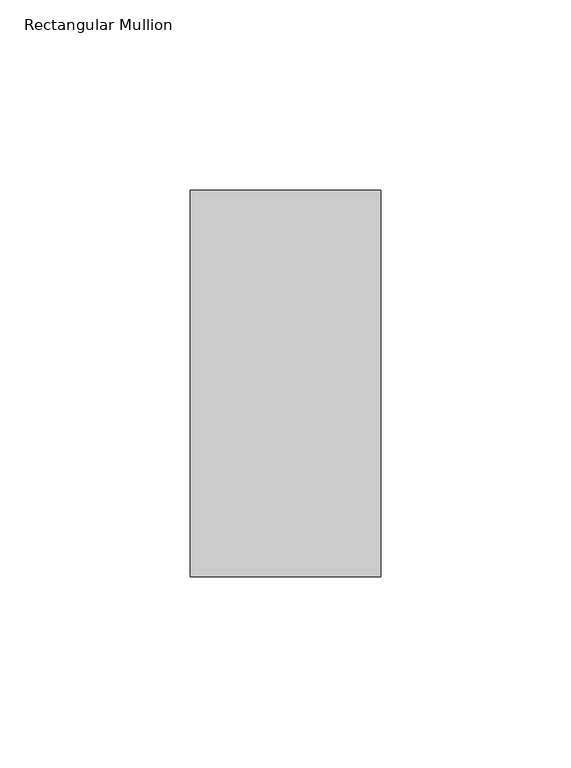
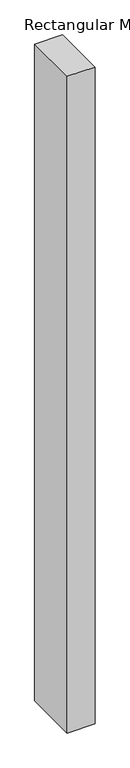
"""IFC4 building model written with IfcOpenShell, lengths in millimetres: member geometry, Rectangular Mullion."""

from ifc_helpers import new_model, si_unit, frame, origin, place, context, project, spatial, polyline, outline, extrude, source, transform, mapped, element, save


def rectangular_mullion_b16ed161(model_context):
    return source(origin(), model_context, "Body", "SweptSolid", [
        extrude(outline(polyline([(25.0, 50.8), (25.0, -50.8), (-25.0, -50.8), (-25.0, 50.8), (25.0, 50.8)])), frame((0.0, 0.0, -1250.0), z_axis=(0.0, 0.0, 1.0), x_axis=(1.0, 0.0, 0.0)), (0.0, 0.0, 1.0), 1250.0),
    ])


if __name__ == "__main__":
    model = new_model("IFC4")
    model_context = context("Model", 3, world=origin())
    ifc_project = project(units=[si_unit("LENGTHUNIT", "METRE", prefix="MILLI")], contexts=[model_context])
    site = spatial("IfcSite", under=ifc_project)
    building = spatial("IfcBuilding", under=site)
    placement = place(None, origin())
    rectangular_mullion_shape = rectangular_mullion_b16ed161(model_context)
    element("IfcMember", 1, ObjectType="Rectangular Mullion", at=placement, inside=building, context=model_context, shape_type="MappedRepresentation", body=[
        mapped(rectangular_mullion_shape, transform((0.0, 0.0, 0.0), x_axis=(1.0, 0.0, 0.0), y_axis=(0.0, 1.0, 0.0), z_axis=(0.0, 0.0, 1.0))),
    ])
    save(model, "model.ifc")
